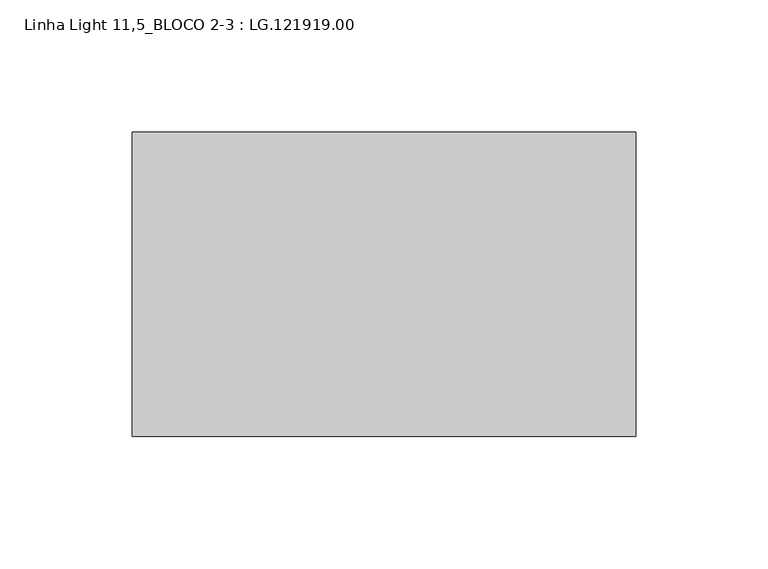
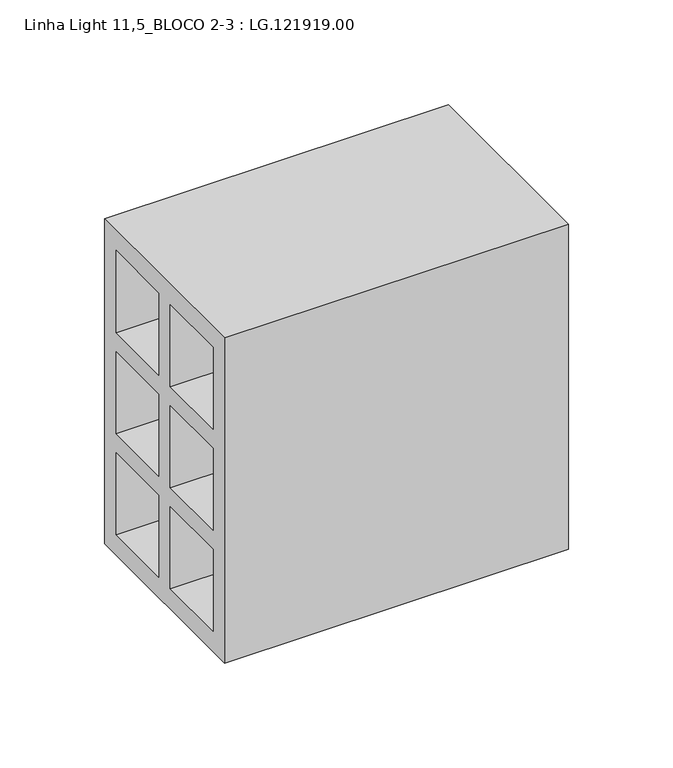
"""IFC4 building model written with IfcOpenShell, lengths in millimetres: proxy geometry, Linha Light 11,5_BLOCO 2-3 : LG.121919.00."""

from ifc_helpers import new_model, si_unit, frame, origin, place, context, project, spatial, polyline, outline, extrude, source, transform, mapped, element, save


def linha_light_11_5_bloco_2_3_lg_121919_00_cb5cf973(model_context):
    return source(origin(), model_context, "Body", "SweptSolid", [
        extrude(outline(polyline([(-57.5, 0.0), (-57.5, 190.0), (57.5, 190.0), (57.5, 0.0), (-57.5, 0.0)]), holes=[polyline([(5.5, 178.0), (5.5, 130.0), (46.5, 130.0), (46.5, 178.0), (5.5, 178.0)]), polyline([(-46.5, 178.0), (-46.5, 130.0), (-5.5, 130.0), (-5.5, 178.0), (-46.5, 178.0)]), polyline([(-5.5, 119.0), (-46.5, 119.0), (-46.5, 71.0), (-5.5, 71.0), (-5.5, 119.0)]), polyline([(46.5, 71.0), (46.5, 119.0), (5.5, 119.0), (5.5, 71.0), (46.5, 71.0)]), polyline([(46.5, 60.0), (5.5, 60.0), (5.5, 12.0), (46.5, 12.0), (46.5, 60.0)]), polyline([(-5.5, 60.0), (-46.5, 60.0), (-46.5, 12.0), (-5.5, 12.0), (-5.5, 60.0)])]), frame((5.0, 0.0, 0.0), z_axis=(1.0, 0.0, 0.0), x_axis=(0.0, 1.0, 0.0)), (0.0, 0.0, 1.0), 190.0),
    ])


if __name__ == "__main__":
    model = new_model("IFC4")
    model_context = context("Model", 3, world=origin())
    ifc_project = project(units=[si_unit("LENGTHUNIT", "METRE", prefix="MILLI")], contexts=[model_context])
    site = spatial("IfcSite", under=ifc_project)
    building = spatial("IfcBuilding", under=site)
    placement = place(None, origin())
    linha_light_11_5_bloco_2_3_lg_121919_00_shape = linha_light_11_5_bloco_2_3_lg_121919_00_cb5cf973(model_context)
    element("IfcBuildingElementProxy", 1, Name="Linha Light 11,5_BLOCO 2-3 : LG.121919.00", ObjectType="Linha Light 11,5_BLOCO 2-3 : LG.121919.00", at=placement, inside=building, context=model_context, shape_type="MappedRepresentation", body=[
        mapped(linha_light_11_5_bloco_2_3_lg_121919_00_shape, transform((0.0, 0.0, 0.0), x_axis=(1.0, 0.0, 0.0), y_axis=(0.0, 1.0, 0.0), z_axis=(0.0, 0.0, 1.0))),
    ])
    save(model, "model.ifc")
